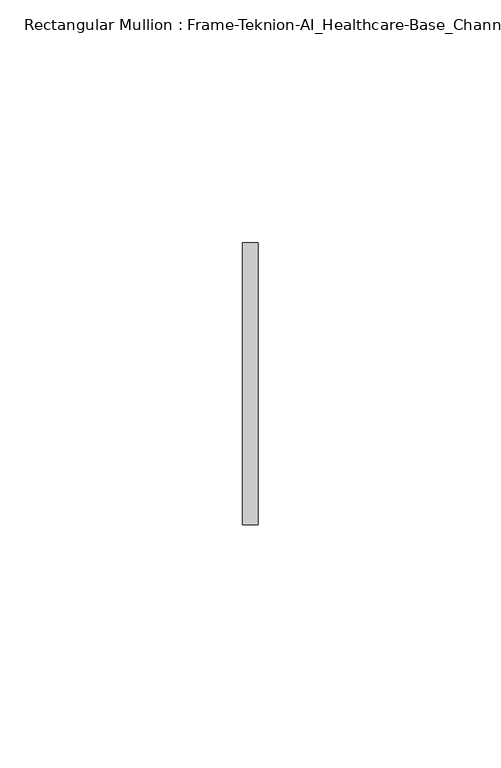
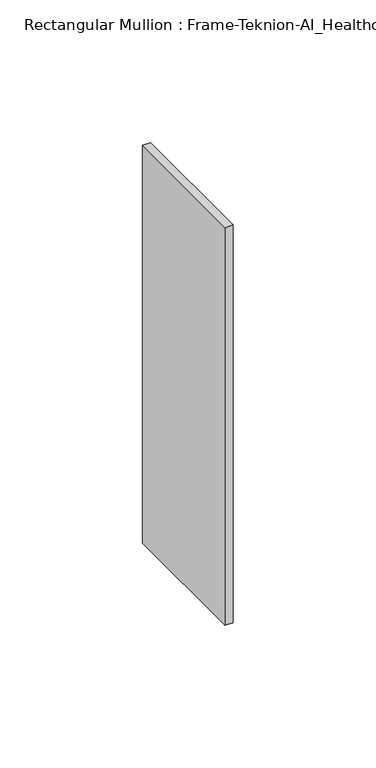
"""IFC4 building model written with IfcOpenShell, lengths in millimetres: member geometry, Rectangular Mullion : Frame-Teknion-AI_Healthcare-Base_Channel."""

from ifc_helpers import new_model, si_unit, frame, origin, place, context, project, spatial, polyline, outline, extrude, source, transform, mapped, element, save


def rectangular_mullion_frame_teknion_ai_healthcare_base_channel_3288edfa(model_context):
    return source(origin(), model_context, "Body", "SweptSolid", [
        extrude(outline(polyline([(0.0, 29.0214844), (0.0, -29.0214844), (-3.175, -29.0214844), (-3.175, 29.0214844), (0.0, 29.0214844)])), frame((0.0, 0.0, -170.18), z_axis=(0.0, 0.0, 1.0), x_axis=(1.0, 0.0, 0.0)), (0.0, 0.0, 1.0), 170.18),
    ])


if __name__ == "__main__":
    model = new_model("IFC4")
    model_context = context("Model", 3, world=origin())
    ifc_project = project(units=[si_unit("LENGTHUNIT", "METRE", prefix="MILLI")], contexts=[model_context])
    site = spatial("IfcSite", under=ifc_project)
    building = spatial("IfcBuilding", under=site)
    placement = place(None, origin())
    rectangular_mullion_frame_teknion_ai_healthcare_base_channel_shape = rectangular_mullion_frame_teknion_ai_healthcare_base_channel_3288edfa(model_context)
    element("IfcMember", 1, ObjectType="Rectangular Mullion : Frame-Teknion-AI_Healthcare-Base_Channel", at=placement, inside=building, context=model_context, shape_type="MappedRepresentation", body=[
        mapped(rectangular_mullion_frame_teknion_ai_healthcare_base_channel_shape, transform((0.0, 0.0, 0.0), x_axis=(1.0, 0.0, 0.0), y_axis=(0.0, 1.0, 0.0), z_axis=(0.0, 0.0, 1.0))),
    ])
    save(model, "model.ifc")
